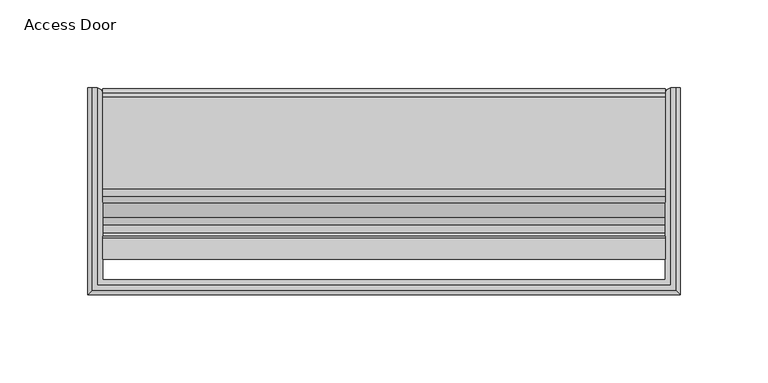
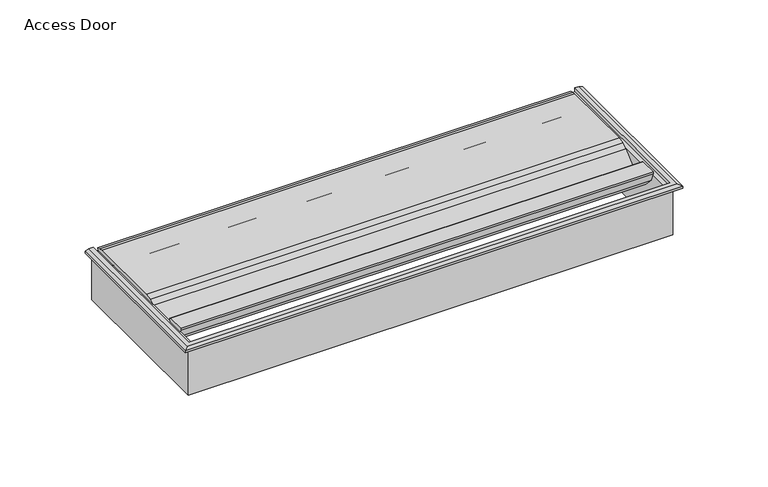
"""IFC4 building model written with IfcOpenShell, lengths in millimetres: furniture geometry, Access Door."""

from ifc_helpers import new_model, si_unit, frame, origin, place, context, project, spatial, polyline, outline, extrude, faceted_brep, source, transform, mapped, element, save


def access_door_a735dbb2(model_context):
    return source(origin(), model_context, "Body", "SolidModel", [
        faceted_brep([(-162.9150013, 113.1099985, 723.9), (-168.2549915, 113.1099985, 723.9), (-168.2549915, 113.1099985, 725.4), (-165.7549988, 113.1099985, 726.4000001), (-162.9150013, 113.1099985, 726.4000001), (-162.9150013, 0.9999902, 723.9), (162.9150013, 0.9999902, 723.9), (162.9150013, 113.1099985, 723.9), (168.2549915, 113.1099985, 723.9), (168.2549915, -4.34, 723.9), (-168.2549915, -4.34, 723.9), (-168.2549915, -4.34, 725.4), (162.9150013, 113.1099985, 726.4000001), (162.9150013, 0.9999902, 726.4000001), (-162.9150013, 0.9999902, 726.4000001), (-165.7549988, -1.8400072, 726.4000001), (165.7549988, -1.8400072, 726.4000001), (165.7549988, 113.1099985, 726.4000001), (168.2549915, -4.34, 725.4), (168.2549915, 113.1099985, 725.4)], [[[0, 1, 2, 3, 4]], [[1, 0, 5, 6, 7, 8, 9, 10]], [[1, 10, 11, 2]], [[12, 13, 14, 4, 3, 15, 16, 17]], [[0, 4, 14, 5]], [[10, 9, 18, 11]], [[6, 5, 14, 13]], [[8, 7, 12, 17, 19]], [[9, 8, 19, 18]], [[7, 6, 13, 12]], [[11, 15, 3, 2]], [[15, 11, 18, 16]], [[16, 18, 19, 17]]]),
        extrude(outline(polyline([(84.5248156, 721.4653532), (78.9838657, 723.3732564), (55.8499716, 723.3732564), (52.6634746, 722.7993411), (49.8774573, 721.1497244), (41.5120068, 713.9186654), (33.1510732, 710.3548454), (24.2750616, 712.3099553), (18.1852523, 719.056825), (15.8948137, 725.0520761), (15.7343675, 726.3556459), (27.9363616, 726.358069), (28.8089169, 725.8345147), (28.7710785, 724.8176423), (27.9955331, 723.6102665), (26.2688375, 719.6813806), (25.8391558, 715.4113693), (26.3855069, 714.5759473), (30.8730441, 713.3239184), (35.4974121, 713.8902855), (39.5501626, 716.1882813), (47.9156085, 723.4193404), (51.616777, 725.6108219), (55.8499716, 726.3732564), (108.0794008, 726.3732564), (110.3674424, 726.1079815), (112.6796028, 725.2737312), (112.5583788, 723.3732564), (100.8853904, 723.3732564), (98.9943539, 722.0243927), (99.6540702, 719.797235), (102.6759243, 717.4362997), (104.0583253, 715.3868057), (103.9720479, 712.9161762), (102.4500569, 710.9681063), (100.0736848, 710.2866935), (97.7506344, 711.1322133), (84.5248156, 721.4653532)])), frame((-159.9150028, 0.0, 0.0), z_axis=(1.0, 0.0, 0.0), x_axis=(0.0, 1.0, 0.0)), (0.0, 0.0, 1.0), 319.8300056),
        extrude(outline(polyline([(-163.9149948, -3.3e-06), (-163.9149948, 113.1099985), (-162.9150013, 113.1099985), (-160.7936737, 112.2313185), (-159.9150028, 110.1099999), (-159.9150028, 3.9999967), (159.9150028, 3.9999967), (159.9150028, 110.1099999), (160.7936737, 112.2313185), (162.9150013, 113.1099985), (163.9149948, 113.1099985), (163.9149948, -3.3e-06), (-163.9149948, -3.3e-06)])), frame((0.0, 0.0, 689.4000006), z_axis=(0.0, 0.0, 1.0), x_axis=(1.0, 0.0, 0.0)), (0.0, 0.0, 1.0), 34.4999994),
    ])


if __name__ == "__main__":
    model = new_model("IFC4")
    model_context = context("Model", 3, world=origin())
    ifc_project = project(units=[si_unit("LENGTHUNIT", "METRE", prefix="MILLI")], contexts=[model_context])
    site = spatial("IfcSite", under=ifc_project)
    building = spatial("IfcBuilding", under=site)
    placement = place(None, origin())
    access_door_shape = access_door_a735dbb2(model_context)
    element("IfcFurniture", 1, ObjectType="Access Door", at=placement, inside=building, context=model_context, shape_type="MappedRepresentation", body=[
        mapped(access_door_shape, transform((0.0, 0.0, 0.0), x_axis=(1.0, 0.0, 0.0), y_axis=(0.0, 1.0, 0.0), z_axis=(0.0, 0.0, 1.0))),
    ])
    save(model, "model.ifc")
